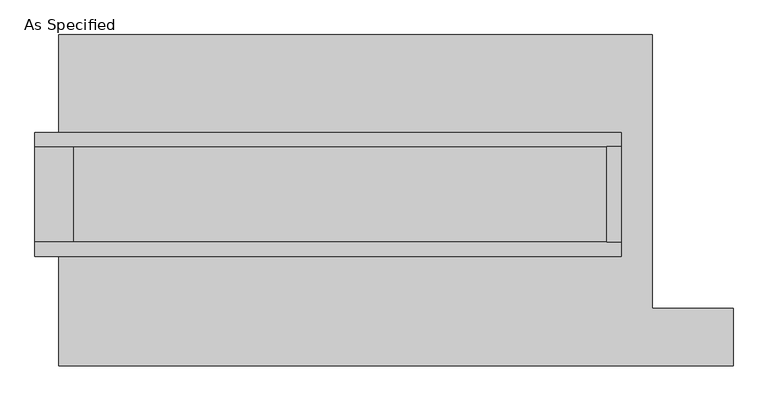
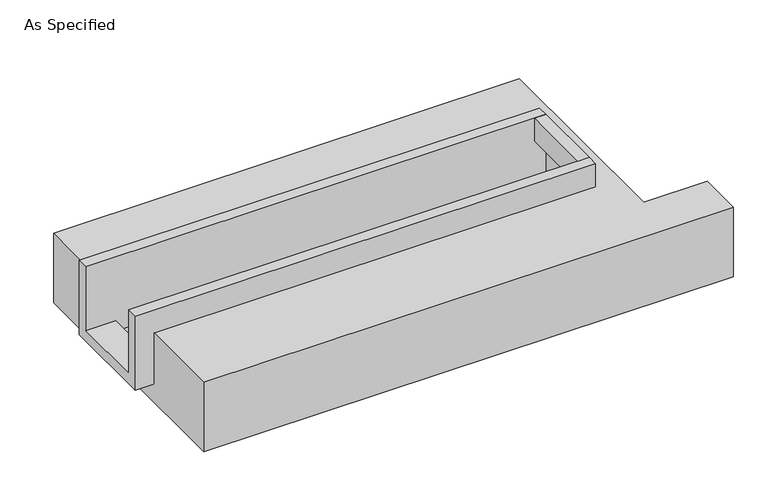
"""IFC4 building model written with IfcOpenShell, lengths in millimetres: proxy geometry, As Specified."""

from ifc_helpers import new_model, si_unit, frame, origin, place, context, project, spatial, polyline, outline, extrude, faceted_brep, source, transform, mapped, element, save


def as_specified_38f47759(model_context):
    return source(origin(), model_context, "Body", "SolidModel", [
        extrude(outline(polyline([(1339.85, 285.75), (1416.05, 285.75), (1416.05, -222.25), (1339.85, -222.25), (1339.85, 285.75)])), frame((0.0, 0.0, -25.4), z_axis=(0.0, 0.0, 1.0), x_axis=(1.0, 0.0, 0.0)), (0.0, 0.0, 1.0), 165.1),
        faceted_brep([(1416.05, 285.75, 139.7), (1416.05, 285.75, -317.5), (1416.05, -222.25, -317.5), (1416.05, -222.25, 139.7), (1416.05, -298.45, 139.7), (1416.05, -298.45, -393.7), (1416.05, 361.95, -393.7), (1416.05, 361.95, 139.7), (-1708.15, 285.75, 139.7), (-1708.15, 361.95, 139.7), (-1708.15, 361.95, -393.7), (-1708.15, -298.45, -393.7), (-1708.15, -298.45, 139.7), (-1708.15, -222.25, 139.7), (-1708.15, -222.25, -317.5), (-1708.15, 285.75, -317.5), (-1504.95, 285.75, -393.7), (-1504.95, -222.25, -393.7), (1339.85, -222.25, -393.7), (1339.85, 285.75, -393.7), (1339.85, -222.25, -317.5), (-1504.95, -222.25, -317.5), (1339.85, 285.75, -317.5), (-1504.95, 285.75, -317.5)], [[[0, 1, 2, 3, 4, 5, 6, 7]], [[8, 9, 10, 11, 12, 13, 14, 15]], [[0, 7, 9, 8]], [[7, 6, 10, 9]], [[6, 5, 11, 10], [16, 17, 18, 19]], [[4, 3, 13, 12]], [[3, 2, 20, 18, 17, 21, 14, 13]], [[2, 1, 22, 20]], [[15, 14, 21, 23]], [[1, 0, 8, 15, 23, 16, 19, 22]], [[21, 17, 16, 23]], [[18, 20, 22, 19]], [[5, 4, 12, 11]]]),
        faceted_brep([(-1581.15, 882.65, -523.9742188), (1581.15, 882.65, -523.9742188), (1581.15, -577.85, -523.9742188), (2012.95, -577.85, -523.9742188), (2012.95, -882.65, -523.9742188), (-1581.15, -882.65, -523.9742188), (1581.15, 882.65, -25.4), (-1581.15, 882.65, -25.4), (-1581.15, 361.95, -25.4), (1416.05, 361.95, -25.4), (1416.05, -298.45, -25.4), (-1581.15, -298.45, -25.4), (-1581.15, -882.65, -25.4), (2012.95, -882.65, -25.4), (2012.95, -577.85, -25.4), (1581.15, -577.85, -25.4), (-1581.15, -298.45, -393.7), (-1581.15, 361.95, -393.7), (1416.05, 361.95, -393.7), (1416.05, -298.45, -393.7)], [[[0, 1, 2, 3, 4, 5]], [[6, 7, 8, 9, 10, 11, 12, 13, 14, 15]], [[1, 0, 7, 6]], [[7, 0, 5, 12, 11, 16, 17, 8]], [[1, 6, 15, 2]], [[5, 4, 13, 12]], [[18, 19, 10, 9]], [[17, 18, 9, 8]], [[19, 18, 17, 16]], [[19, 16, 11, 10]], [[4, 3, 14, 13]], [[3, 2, 15, 14]]]),
    ])


if __name__ == "__main__":
    model = new_model("IFC4")
    model_context = context("Model", 3, world=origin())
    ifc_project = project(units=[si_unit("LENGTHUNIT", "METRE", prefix="MILLI")], contexts=[model_context])
    site = spatial("IfcSite", under=ifc_project)
    building = spatial("IfcBuilding", under=site)
    placement = place(None, origin())
    as_specified_shape = as_specified_38f47759(model_context)
    element("IfcBuildingElementProxy", 1, Name="As Specified", ObjectType="As Specified", at=placement, inside=building, context=model_context, shape_type="MappedRepresentation", body=[
        mapped(as_specified_shape, transform((0.0, 0.0, 0.0), x_axis=(1.0, 0.0, 0.0), y_axis=(0.0, 1.0, 0.0), z_axis=(0.0, 0.0, 1.0))),
    ])
    save(model, "model.ifc")
